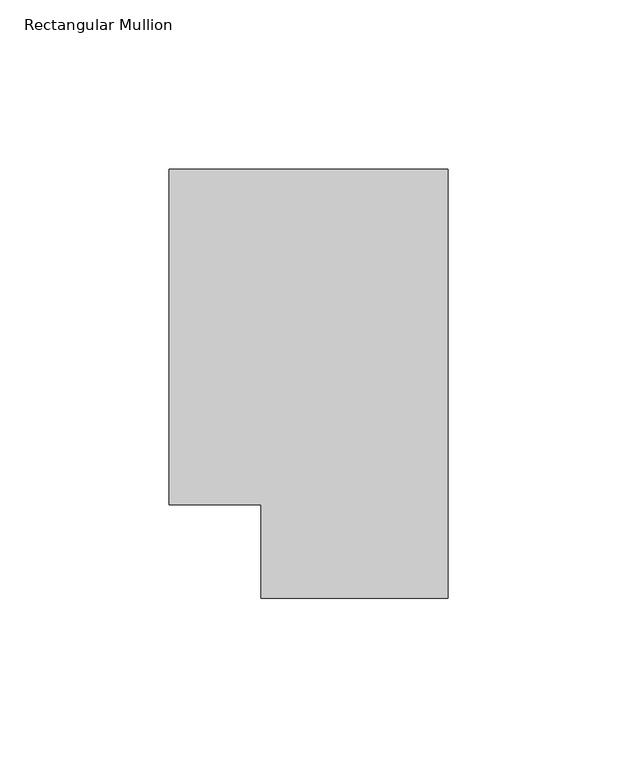
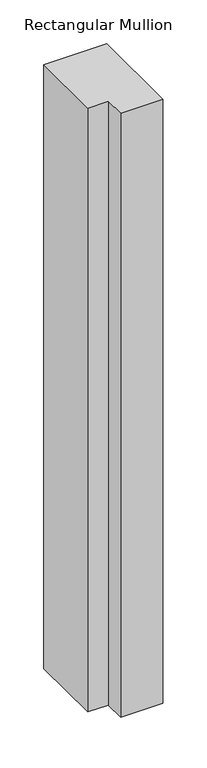
"""IFC4 building model written with IfcOpenShell, lengths in millimetres: member geometry, Rectangular Mullion."""

from ifc_helpers import new_model, si_unit, frame, origin, place, context, project, spatial, polyline, outline, extrude, source, transform, mapped, element, save


def rectangular_mullion_cc7047ed(model_context):
    return source(origin(), model_context, "Body", "SweptSolid", [
        extrude(outline(polyline([(0.0, 138.7038437), (0.0, 11.7059608), (-55.3125404, 11.7059608), (-55.3125404, 39.3898438), (-82.55, 39.3898438), (-82.55, 138.7038437), (0.0, 138.7038437)])), frame((0.0, 0.0, -838.2), z_axis=(0.0, 0.0, 1.0), x_axis=(1.0, 0.0, 0.0)), (0.0, 0.0, 1.0), 838.2),
    ])


if __name__ == "__main__":
    model = new_model("IFC4")
    model_context = context("Model", 3, world=origin())
    ifc_project = project(units=[si_unit("LENGTHUNIT", "METRE", prefix="MILLI")], contexts=[model_context])
    site = spatial("IfcSite", under=ifc_project)
    building = spatial("IfcBuilding", under=site)
    placement = place(None, origin())
    rectangular_mullion_shape = rectangular_mullion_cc7047ed(model_context)
    element("IfcMember", 1, ObjectType="Rectangular Mullion", at=placement, inside=building, context=model_context, shape_type="MappedRepresentation", body=[
        mapped(rectangular_mullion_shape, transform((0.0, 0.0, 0.0), x_axis=(1.0, 0.0, 0.0), y_axis=(0.0, 1.0, 0.0), z_axis=(0.0, 0.0, 1.0))),
    ])
    save(model, "model.ifc")
